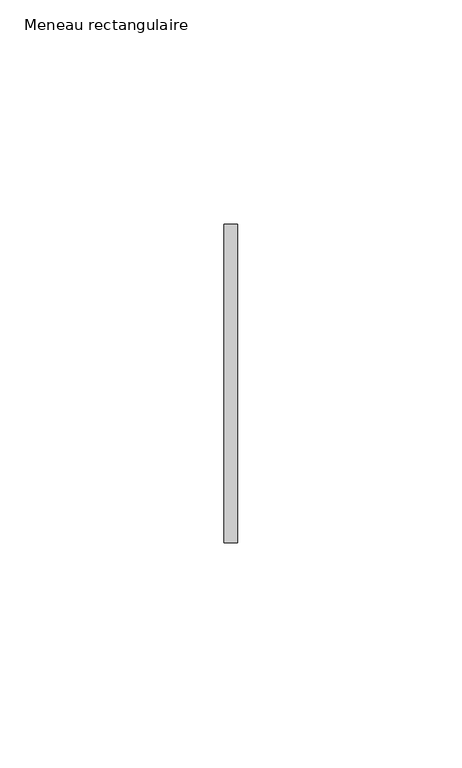
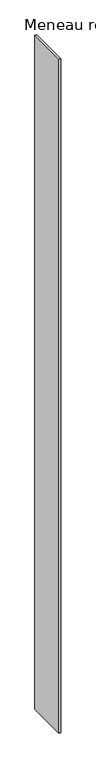
"""IFC4 building model written with IfcOpenShell, lengths in millimetres: member geometry, Meneau rectangulaire."""

from ifc_helpers import new_model, si_unit, frame, origin, place, context, project, spatial, polyline, outline, extrude, source, transform, mapped, element, save


def meneau_rectangulaire_5fc1599a(model_context):
    return source(origin(), model_context, "Body", "SweptSolid", [
        extrude(outline(polyline([(-1.5, 35.5), (1.5, 35.5), (1.5, -35.5), (-1.5, -35.5), (-1.5, 35.5)])), frame((0.0, 0.0, -1217.9999998), z_axis=(0.0, 0.0, 1.0), x_axis=(1.0, 0.0, 0.0)), (0.0, 0.0, 1.0), 1217.9999998),
    ])


if __name__ == "__main__":
    model = new_model("IFC4")
    model_context = context("Model", 3, world=origin())
    ifc_project = project(units=[si_unit("LENGTHUNIT", "METRE", prefix="MILLI")], contexts=[model_context])
    site = spatial("IfcSite", under=ifc_project)
    building = spatial("IfcBuilding", under=site)
    placement = place(None, origin())
    meneau_rectangulaire_shape = meneau_rectangulaire_5fc1599a(model_context)
    element("IfcMember", 1, ObjectType="Meneau rectangulaire", at=placement, inside=building, context=model_context, shape_type="MappedRepresentation", body=[
        mapped(meneau_rectangulaire_shape, transform((0.0, 0.0, 0.0), x_axis=(1.0, 0.0, 0.0), y_axis=(0.0, 1.0, 0.0), z_axis=(0.0, 0.0, 1.0))),
    ])
    save(model, "model.ifc")
